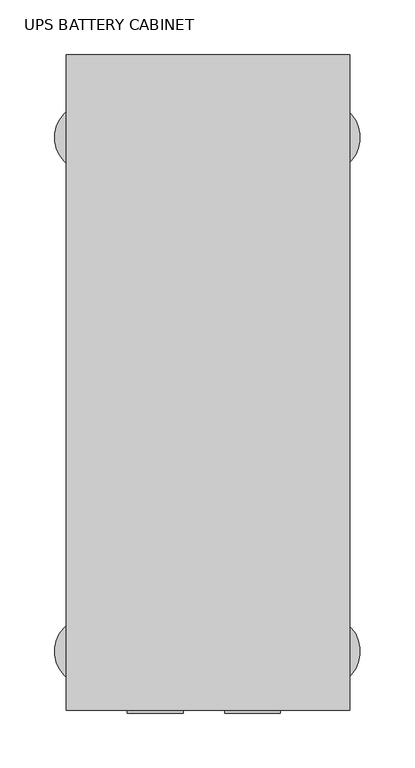
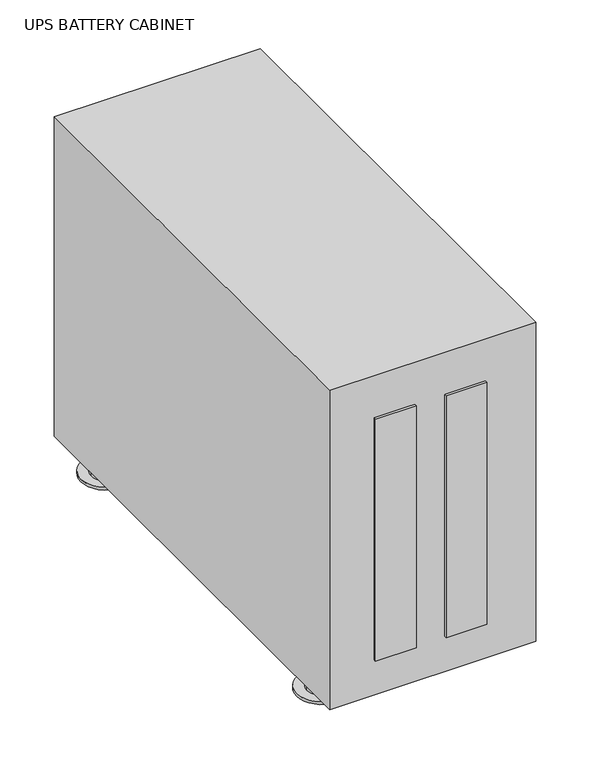
"""IFC4 building model written with IfcOpenShell, lengths in millimetres: proxy geometry, UPS BATTERY CABINET."""

from ifc_helpers import new_model, si_unit, point, frame, frame_2d, origin, origin_with_axes, place, context, project, spatial, polyline, circle_curve, trimmed, segment, composite_curve, outline, extrude, source, transform, mapped, element, save
from ifc_brep_helpers import plane_surface, cylinder_surface, advanced_brep


def ups_battery_cabinet_4ee1f95d(model_context):
    return source(origin(), model_context, "Body", "SolidModel", [
        extrude(outline(composite_curve([segment(trimmed(circle_curve(frame_2d((212.3692399, -186.1925558)), 19.05), [point((193.3192399, -186.1925558))], [point((231.4192399, -186.1925558))], False, "CARTESIAN"), True, "CONTINUOUS"), segment(trimmed(circle_curve(frame_2d((212.3692399, -186.1925558)), 19.05), [point((231.4192399, -186.1925558))], [point((193.3192399, -186.1925558))], False, "CARTESIAN"), True, "CONTINUOUS")], self_intersect=False)), origin_with_axes(), (0.0, 0.0, 1.0), 7.5410893),
        extrude(outline(composite_curve([segment(trimmed(circle_curve(frame_2d((-3.5307601, -186.1925558)), 19.05), [point((-22.5807601, -186.1925558))], [point((15.5192399, -186.1925558))], False, "CARTESIAN"), True, "CONTINUOUS"), segment(trimmed(circle_curve(frame_2d((-3.5307601, -186.1925558)), 19.05), [point((15.5192399, -186.1925558))], [point((-22.5807601, -186.1925558))], False, "CARTESIAN"), True, "CONTINUOUS")], self_intersect=False)), origin_with_axes(), (0.0, 0.0, 1.0), 7.5410893),
        advanced_brep(
        [(-3.5307601, -153.9873157, 0.0), (-3.5307601, -217.4873157, 0.0), (-3.5307601, -217.4873157, -3.5213214), (-3.5307601, -153.9873157, -3.5213214), (-3.5307601, -185.7373157, 0.0), (-3.5307601, -185.7373157, -3.5213214)],
        [
            (0, 1, circle_curve(frame((-3.5307601, -185.7373157, 0.0), z_axis=(0.0, 0.0, -1.0), x_axis=(0.0, -1.0, 0.0)), 31.75)),
            (1, 2),
            (2, 3, circle_curve(frame((-3.5307601, -185.7373157, -3.5213214), z_axis=(0.0, 0.0, 1.0), x_axis=(0.0, -1.0, 0.0)), 31.75)),
            (3, 0),
            (1, 0, circle_curve(frame((-3.5307601, -185.7373157, 0.0), z_axis=(0.0, 0.0, -1.0), x_axis=(0.0, -1.0, 0.0)), 31.75)),
            (3, 2, circle_curve(frame((-3.5307601, -185.7373157, -3.5213214), z_axis=(0.0, 0.0, 1.0), x_axis=(0.0, -1.0, 0.0)), 31.75)),
            (4, 1),
            (0, 4),
            (2, 5),
            (5, 3),
        ],
        [
            cylinder_surface(frame((-3.5307601, -185.7373157, -34.686767), z_axis=(0.0, 0.0, 1.0), x_axis=(0.0, -1.0, 0.0)), 31.75),
            plane_surface(frame((-3.5307601, -185.7373157, 0.0), z_axis=(0.0, 0.0, 1.0), x_axis=(0.0, -1.0, 0.0))),
            plane_surface(frame((-3.5307601, -185.7373157, -3.5213214), z_axis=(0.0, 0.0, -1.0), x_axis=(0.0, -1.0, 0.0))),
        ],
        [
            (0, [[1, 2, 3, 4]]),
            (0, [[5, -4, 6, -2]]),
            (1, [[7, -1, 8]]),
            (1, [[-8, -5, -7]]),
            (2, [[-3, 9, 10]]),
            (2, [[-6, -10, -9]]),
        ],
    ),
        advanced_brep(
        [(212.3692399, -153.9873157, 0.0), (212.3692399, -217.4873157, 0.0), (212.3692399, -217.4873157, -3.5158318), (212.3692399, -153.9873157, -3.5158318), (212.3692399, -185.7373157, 0.0), (212.3692399, -185.7373157, -3.5158318)],
        [
            (0, 1, circle_curve(frame((212.3692399, -185.7373157, 0.0), z_axis=(0.0, 0.0, -1.0), x_axis=(0.0, -1.0, 0.0)), 31.75)),
            (1, 2),
            (2, 3, circle_curve(frame((212.3692399, -185.7373157, -3.5158318), z_axis=(0.0, 0.0, 1.0), x_axis=(0.0, -1.0, 0.0)), 31.75)),
            (3, 0),
            (1, 0, circle_curve(frame((212.3692399, -185.7373157, 0.0), z_axis=(0.0, 0.0, -1.0), x_axis=(0.0, -1.0, 0.0)), 31.75)),
            (3, 2, circle_curve(frame((212.3692399, -185.7373157, -3.5158318), z_axis=(0.0, 0.0, 1.0), x_axis=(0.0, -1.0, 0.0)), 31.75)),
            (4, 1),
            (0, 4),
            (2, 5),
            (5, 3),
        ],
        [
            cylinder_surface(frame((212.3692399, -185.7373157, -34.686767), z_axis=(0.0, 0.0, 1.0), x_axis=(0.0, -1.0, 0.0)), 31.75),
            plane_surface(frame((212.3692399, -185.7373157, 0.0), z_axis=(0.0, 0.0, 1.0), x_axis=(0.0, -1.0, 0.0))),
            plane_surface(frame((212.3692399, -185.7373157, -3.5158318), z_axis=(0.0, 0.0, -1.0), x_axis=(0.0, -1.0, 0.0))),
        ],
        [
            (0, [[1, 2, 3, 4]]),
            (0, [[5, -4, 6, -2]]),
            (1, [[7, -1, 8]]),
            (1, [[-8, -5, -7]]),
            (2, [[-3, 9, 10]]),
            (2, [[-6, -10, -9]]),
        ],
    ),
        extrude(outline(composite_curve([segment(trimmed(circle_curve(frame_2d((212.3692399, -656.0925558)), 19.05), [point((193.3192399, -656.0925558))], [point((231.4192399, -656.0925558))], False, "CARTESIAN"), True, "CONTINUOUS"), segment(trimmed(circle_curve(frame_2d((212.3692399, -656.0925558)), 19.05), [point((231.4192399, -656.0925558))], [point((193.3192399, -656.0925558))], False, "CARTESIAN"), True, "CONTINUOUS")], self_intersect=False)), origin_with_axes(), (0.0, 0.0, 1.0), 7.5410893),
        extrude(outline(composite_curve([segment(trimmed(circle_curve(frame_2d((-3.5307601, -656.0925558)), 19.05), [point((-22.5807601, -656.0925558))], [point((15.5192399, -656.0925558))], False, "CARTESIAN"), True, "CONTINUOUS"), segment(trimmed(circle_curve(frame_2d((-3.5307601, -656.0925558)), 19.05), [point((15.5192399, -656.0925558))], [point((-22.5807601, -656.0925558))], False, "CARTESIAN"), True, "CONTINUOUS")], self_intersect=False)), origin_with_axes(), (0.0, 0.0, 1.0), 7.5410893),
        advanced_brep(
        [(-3.5307601, -623.8873157, 0.0), (-3.5307601, -687.3873157, 0.0), (-3.5307601, -687.3873157, -3.5213214), (-3.5307601, -623.8873157, -3.5213214), (-3.5307601, -655.6373157, 0.0), (-3.5307601, -655.6373157, -3.5213214)],
        [
            (0, 1, circle_curve(frame((-3.5307601, -655.6373157, 0.0), z_axis=(0.0, 0.0, -1.0), x_axis=(0.0, -1.0, 0.0)), 31.75)),
            (1, 2),
            (2, 3, circle_curve(frame((-3.5307601, -655.6373157, -3.5213214), z_axis=(0.0, 0.0, 1.0), x_axis=(0.0, -1.0, 0.0)), 31.75)),
            (3, 0),
            (1, 0, circle_curve(frame((-3.5307601, -655.6373157, 0.0), z_axis=(0.0, 0.0, -1.0), x_axis=(0.0, -1.0, 0.0)), 31.75)),
            (3, 2, circle_curve(frame((-3.5307601, -655.6373157, -3.5213214), z_axis=(0.0, 0.0, 1.0), x_axis=(0.0, -1.0, 0.0)), 31.75)),
            (4, 1),
            (0, 4),
            (2, 5),
            (5, 3),
        ],
        [
            cylinder_surface(frame((-3.5307601, -655.6373157, -34.686767), z_axis=(0.0, 0.0, 1.0), x_axis=(0.0, -1.0, 0.0)), 31.75),
            plane_surface(frame((-3.5307601, -655.6373157, 0.0), z_axis=(0.0, 0.0, 1.0), x_axis=(0.0, -1.0, 0.0))),
            plane_surface(frame((-3.5307601, -655.6373157, -3.5213214), z_axis=(0.0, 0.0, -1.0), x_axis=(0.0, -1.0, 0.0))),
        ],
        [
            (0, [[1, 2, 3, 4]]),
            (0, [[5, -4, 6, -2]]),
            (1, [[7, -1, 8]]),
            (1, [[-8, -5, -7]]),
            (2, [[-3, 9, 10]]),
            (2, [[-6, -10, -9]]),
        ],
    ),
        advanced_brep(
        [(212.3692399, -623.8873157, 0.0), (212.3692399, -687.3873157, 0.0), (212.3692399, -687.3873157, -3.5158318), (212.3692399, -623.8873157, -3.5158318), (212.3692399, -655.6373157, 0.0), (212.3692399, -655.6373157, -3.5158318)],
        [
            (0, 1, circle_curve(frame((212.3692399, -655.6373157, 0.0), z_axis=(0.0, 0.0, -1.0), x_axis=(0.0, -1.0, 0.0)), 31.75)),
            (1, 2),
            (2, 3, circle_curve(frame((212.3692399, -655.6373157, -3.5158318), z_axis=(0.0, 0.0, 1.0), x_axis=(0.0, -1.0, 0.0)), 31.75)),
            (3, 0),
            (1, 0, circle_curve(frame((212.3692399, -655.6373157, 0.0), z_axis=(0.0, 0.0, -1.0), x_axis=(0.0, -1.0, 0.0)), 31.75)),
            (3, 2, circle_curve(frame((212.3692399, -655.6373157, -3.5158318), z_axis=(0.0, 0.0, 1.0), x_axis=(0.0, -1.0, 0.0)), 31.75)),
            (4, 1),
            (0, 4),
            (2, 5),
            (5, 3),
        ],
        [
            cylinder_surface(frame((212.3692399, -655.6373157, -34.686767), z_axis=(0.0, 0.0, 1.0), x_axis=(0.0, -1.0, 0.0)), 31.75),
            plane_surface(frame((212.3692399, -655.6373157, 0.0), z_axis=(0.0, 0.0, 1.0), x_axis=(0.0, -1.0, 0.0))),
            plane_surface(frame((212.3692399, -655.6373157, -3.5158318), z_axis=(0.0, 0.0, -1.0), x_axis=(0.0, -1.0, 0.0))),
        ],
        [
            (0, [[1, 2, 3, 4]]),
            (0, [[5, -4, 6, -2]]),
            (1, [[7, -1, 8]]),
            (1, [[-8, -5, -7]]),
            (2, [[-3, 9, 10]]),
            (2, [[-6, -10, -9]]),
        ],
    ),
        extrude(outline(polyline([(171.1271198, -677.7508979), (171.1271198, -712.3644507), (120.0603622, -712.3644507), (120.0603622, -677.7508979), (171.1271198, -677.7508979)])), frame((0.0, 0.0, 54.2126884), z_axis=(0.0, 0.0, 1.0), x_axis=(1.0, 0.0, 0.0)), (0.0, 0.0, 1.0), 321.3969818),
        extrude(outline(polyline([(82.2271198, -709.5008979), (82.2271198, -712.3644507), (31.1603622, -712.3644507), (31.1603622, -709.5008979), (82.2271198, -709.5008979)])), frame((0.0, 0.0, 54.2126884), z_axis=(0.0, 0.0, 1.0), x_axis=(1.0, 0.0, 0.0)), (0.0, 0.0, 1.0), 321.3969818),
        extrude(outline(polyline([(234.3603622, -709.5008979), (-24.7196378, -709.5008979), (-24.7196378, -110.0608979), (234.3603622, -110.0608979), (234.3603622, -709.5008979)])), frame((0.0, 0.0, 7.5410893), z_axis=(0.0, 0.0, 1.0), x_axis=(1.0, 0.0, 0.0)), (0.0, 0.0, 1.0), 424.2589107),
    ])


if __name__ == "__main__":
    model = new_model("IFC4")
    model_context = context("Model", 3, world=origin())
    ifc_project = project(units=[si_unit("LENGTHUNIT", "METRE", prefix="MILLI")], contexts=[model_context])
    site = spatial("IfcSite", under=ifc_project)
    building = spatial("IfcBuilding", under=site)
    placement = place(None, origin())
    ups_battery_cabinet_shape = ups_battery_cabinet_4ee1f95d(model_context)
    element("IfcBuildingElementProxy", 1, Name="UPS BATTERY CABINET", ObjectType="UPS BATTERY CABINET", at=placement, inside=building, context=model_context, shape_type="MappedRepresentation", body=[
        mapped(ups_battery_cabinet_shape, transform((0.0, 0.0, 0.0), x_axis=(1.0, 0.0, 0.0), y_axis=(0.0, 1.0, 0.0), z_axis=(0.0, 0.0, 1.0))),
    ])
    save(model, "model.ifc")
